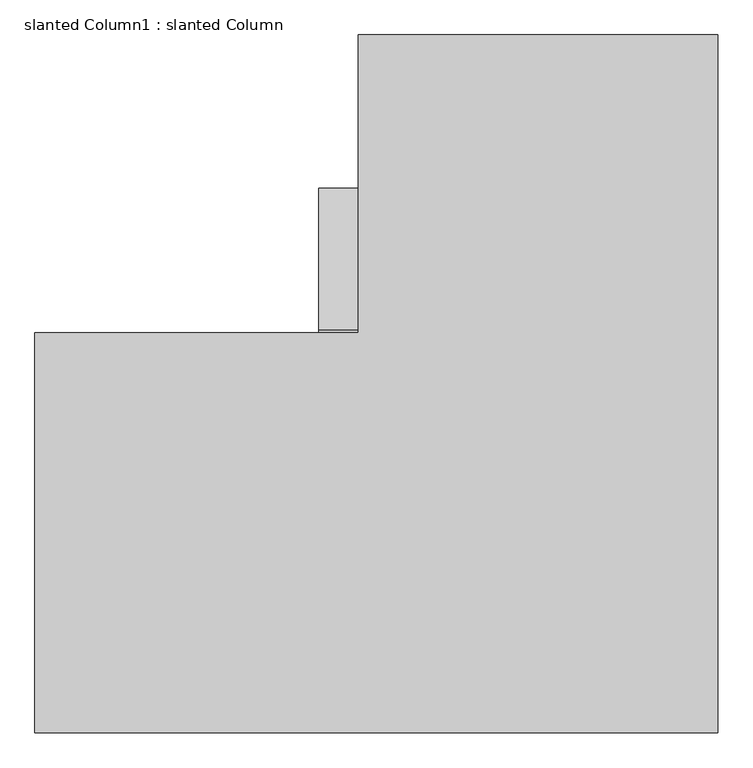
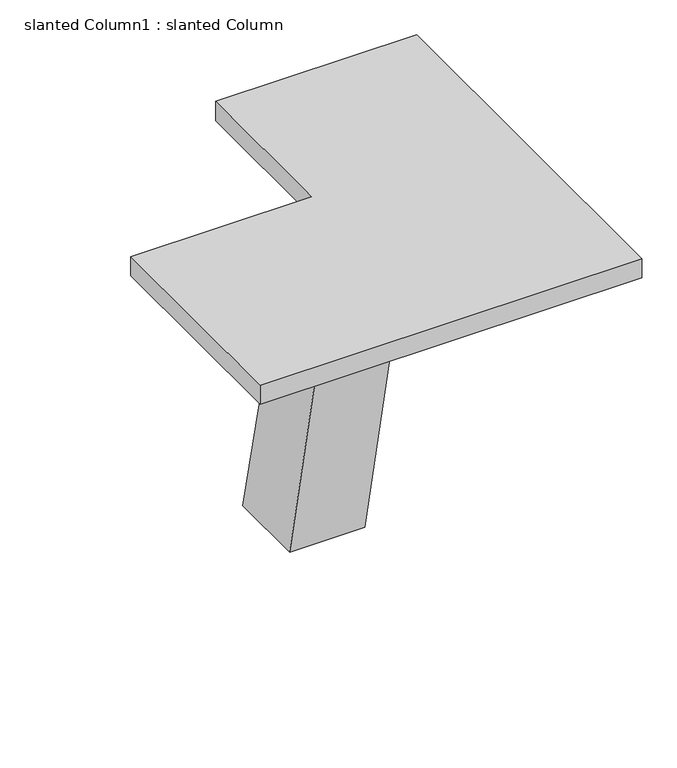
"""IFC4 building model written with IfcOpenShell, lengths in millimetres: column geometry, slanted Column1 : slanted Column."""

from ifc_helpers import new_model, si_unit, frame, origin, place, context, project, spatial, polyline, outline, extrude, source, transform, mapped, element, save


def slanted_column1_slanted_column_c4c56a96(model_context):
    return source(origin(), model_context, "Body", "SweptSolid", [
        extrude(outline(polyline([(3498.8500001, 37354.5988112), (3498.8500001, 34182.8031902), (396.8466404, 34182.8031902), (396.8466404, 36002.0281683), (1866.9170621, 36002.0281683), (1866.9170621, 37354.5988112), (3498.8500001, 37354.5988112)])), frame((0.0, 0.0, 2825.75), z_axis=(0.0, 0.0, 1.0), x_axis=(1.0, 0.0, 0.0)), (0.0, 0.0, 1.0), 165.1),
        extrude(outline(polyline([(36659.3148921, 0.0), (36001.9628921, 0.0), (35402.0031902, 2825.75), (36011.6031902, 2825.75), (36659.3148921, 0.0)])), frame((1685.925, 0.0, 0.0), z_axis=(1.0, 0.0, 0.0), x_axis=(0.0, 1.0, 0.0)), (0.0, 0.0, 1.0), 609.6),
    ])


if __name__ == "__main__":
    model = new_model("IFC4")
    model_context = context("Model", 3, world=origin())
    ifc_project = project(units=[si_unit("LENGTHUNIT", "METRE", prefix="MILLI")], contexts=[model_context])
    site = spatial("IfcSite", under=ifc_project)
    building = spatial("IfcBuilding", under=site)
    placement = place(None, origin())
    slanted_column1_slanted_column_shape = slanted_column1_slanted_column_c4c56a96(model_context)
    element("IfcColumn", 1, ObjectType="slanted Column1 : slanted Column", at=placement, inside=building, context=model_context, shape_type="MappedRepresentation", body=[
        mapped(slanted_column1_slanted_column_shape, transform((0.0, 0.0, 0.0), x_axis=(1.0, 0.0, 0.0), y_axis=(0.0, 1.0, 0.0), z_axis=(0.0, 0.0, 1.0))),
    ])
    save(model, "model.ifc")
